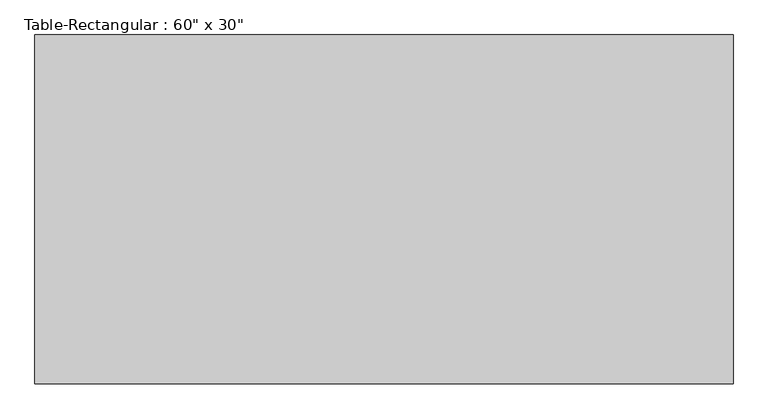
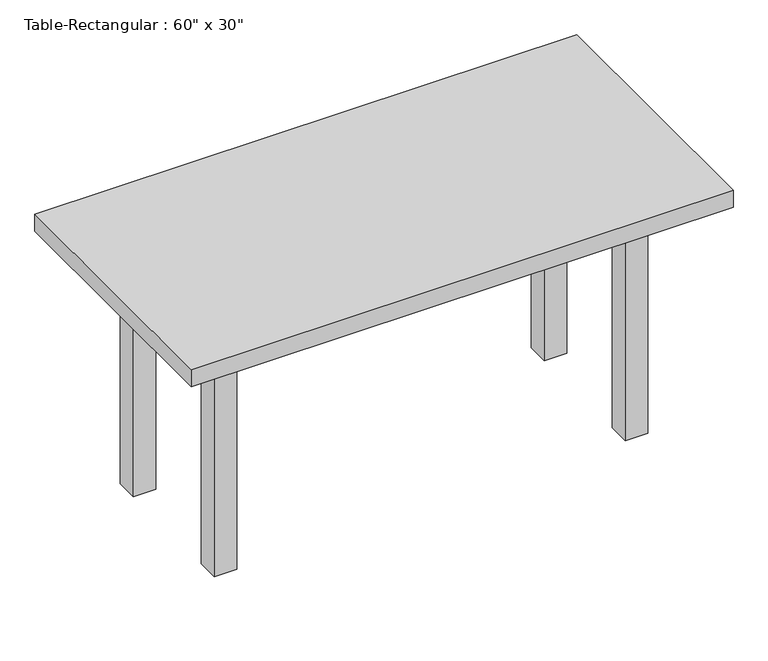
"""IFC4 building model written with IfcOpenShell, lengths in millimetres: furniture geometry."""

import ifcopenshell
import ifcopenshell.guid

model = None  # the IFC model being written
_history = None  # IfcOwnerHistory: only IFC2X3 demands one
_inside = {}  # id of a spatial element -> (the spatial element, [elements in it])
_under = {}  # id of a project, library or spatial element -> (it, [spatial elements below it])
_declared = {}  # id of a project -> (the project, [libraries it declares])
_typed = {}  # id of a type object -> (the type object, [elements of that type])
_made_of = {}  # id of a material, layer set ... -> (it, [elements and type objects made of it])


def new_model(schema):
    """Start an empty IFC model of exactly this schema.

    Asked for "IFC4X3", IfcOpenShell would pick the latest addendum, in which some entities
    have other attributes; the version numbers below select the first issue.
    IFC2X3 requires an IfcOwnerHistory on every rooted entity: one is made here for all.
    """
    global model, _history
    if schema == "IFC4X3":
        model = ifcopenshell.file(schema_version=(4, 3, 0, 0))
    else:
        model = ifcopenshell.file(schema=schema)
    _inside.clear()
    _under.clear()
    _declared.clear()
    _typed.clear()
    _made_of.clear()
    _history = None
    if model.schema == "IFC2X3":
        org = make("IfcOrganization", Name="unknown")
        user = make(
            "IfcPersonAndOrganization",
            ThePerson=make("IfcPerson", FamilyName="unknown"),
            TheOrganization=org,
        )
        app = make(
            "IfcApplication",
            ApplicationDeveloper=org,
            Version="unknown",
            ApplicationFullName="unknown",
            ApplicationIdentifier="unknown",
        )
        _history = make(
            "IfcOwnerHistory",
            OwningUser=user,
            OwningApplication=app,
            ChangeAction="ADDED",
            CreationDate=0,
        )
    return model


def make(cls, **values):
    """One entity of the class cls with the attributes given. An attribute that is None is left unset."""
    return model.create_entity(
        cls, **{name: value for name, value in values.items() if value is not None}
    )


def rooted(cls, **values):
    """An entity with a GlobalId (a new one), such as an element, a storey or a relation."""
    return make(cls, GlobalId=ifcopenshell.guid.new(), OwnerHistory=_history, **values)


def si_unit(unit_type, name, prefix=None):
    """IfcSIUnit, for example si_unit("LENGTHUNIT", "METRE", prefix="MILLI")."""
    return make("IfcSIUnit", UnitType=unit_type, Prefix=prefix, Name=name)


def assignment(units):
    """IfcUnitAssignment: the units of a project."""
    return None if units is None else make("IfcUnitAssignment", Units=units)


def point(xyz):
    """IfcCartesianPoint."""
    return None if xyz is None else make("IfcCartesianPoint", Coordinates=xyz)


def direction(xyz):
    """IfcDirection."""
    return None if xyz is None else make("IfcDirection", DirectionRatios=xyz)


def frame(location, z_axis=None, x_axis=None):
    """IfcAxis2Placement3D, a coordinate frame: its origin and axes. An axis left out is left unset."""
    return make(
        "IfcAxis2Placement3D",
        Location=point(location),
        Axis=direction(z_axis),
        RefDirection=direction(x_axis),
    )


def origin():
    """The frame at (0, 0, 0) with its axes left unset."""
    return frame((0.0, 0.0, 0.0))


def origin_with_axes():
    """The frame at (0, 0, 0) with the z axis (0, 0, 1) and the x axis (1, 0, 0) written out."""
    return frame((0.0, 0.0, 0.0), z_axis=(0.0, 0.0, 1.0), x_axis=(1.0, 0.0, 0.0))


def place(relative_to, where):
    """IfcLocalPlacement: puts the frame where relative to a parent placement (None: the world)."""
    return make(
        "IfcLocalPlacement", PlacementRelTo=relative_to, RelativePlacement=where
    )


def context(
    kind, dimensions, precision=None, world=None, true_north=None, identifier=None
):
    """IfcGeometricRepresentationContext, for example the 3D "Model" context."""
    return make(
        "IfcGeometricRepresentationContext",
        ContextIdentifier=identifier,
        ContextType=kind,
        CoordinateSpaceDimension=dimensions,
        Precision=precision,
        WorldCoordinateSystem=world,
        TrueNorth=true_north,
    )


def project(units=None, contexts=None):
    """IfcProject with its units and contexts."""
    return rooted(
        "IfcProject",
        Name="project",
        RepresentationContexts=contexts,
        UnitsInContext=assignment(units),
    )


def spatial(cls, under=None, at=None, **own):
    """A site, building, storey or space (cls), placed at a placement, below another one or the project."""
    s = rooted(cls, ObjectPlacement=at, **own)
    if under is not None:
        _under.setdefault(under.id(), (under, []))[1].append(s)
    return s


def polyline(points):
    """IfcPolyline through the points."""
    return make("IfcPolyline", Points=[point(p) for p in points])


def outline(outer, holes=None, kind="AREA"):
    """IfcArbitraryClosedProfileDef: a profile drawn as a closed curve; with holes, ...WithVoids."""
    if holes is None:
        return make("IfcArbitraryClosedProfileDef", ProfileType=kind, OuterCurve=outer)
    return make(
        "IfcArbitraryProfileDefWithVoids",
        ProfileType=kind,
        OuterCurve=outer,
        InnerCurves=holes,
    )


def extrude(swept, where, along, depth):
    """IfcExtrudedAreaSolid: the profile swept, set in the frame where, extruded along a direction by depth."""
    return make(
        "IfcExtrudedAreaSolid",
        SweptArea=swept,
        Position=where,
        ExtrudedDirection=direction(along),
        Depth=depth,
    )


def shape(context_of_items, identifier, shape_type, items):
    """IfcShapeRepresentation: the items that make up one representation, for example the "Body"."""
    return make(
        "IfcShapeRepresentation",
        ContextOfItems=context_of_items,
        RepresentationIdentifier=identifier,
        RepresentationType=shape_type,
        Items=items,
    )


def source(mapping_origin, context_of_items, identifier, shape_type, items):
    """IfcRepresentationMap: a shape defined once, which mapped items show again and again."""
    return make(
        "IfcRepresentationMap",
        MappingOrigin=mapping_origin,
        MappedRepresentation=shape(context_of_items, identifier, shape_type, items),
    )


def transform(
    local_origin,
    x_axis=None,
    y_axis=None,
    z_axis=None,
    scale=None,
    scale2=None,
    scale3=None,
    uniform=True,
):
    """IfcCartesianTransformationOperator3D, or its non-uniform kind. x_axis, y_axis, z_axis: its Axis1, 2, 3."""
    if uniform:
        return make(
            "IfcCartesianTransformationOperator3D",
            Axis1=direction(x_axis),
            Axis2=direction(y_axis),
            LocalOrigin=point(local_origin),
            Scale=scale,
            Axis3=direction(z_axis),
        )
    return make(
        "IfcCartesianTransformationOperator3DnonUniform",
        Axis1=direction(x_axis),
        Axis2=direction(y_axis),
        LocalOrigin=point(local_origin),
        Scale=scale,
        Axis3=direction(z_axis),
        Scale2=scale2,
        Scale3=scale3,
    )


def mapped(mapping_source, mapping_target):
    """IfcMappedItem: shows the shape of a source again, moved by a transform."""
    return make(
        "IfcMappedItem", MappingSource=mapping_source, MappingTarget=mapping_target
    )


def made_of(thing, what):
    """Note that an element or type object is made of a material, layer set ...; save() writes the relation."""
    if what is not None:
        _made_of.setdefault(what.id(), (what, []))[1].append(thing)
    return thing


def element(
    cls,
    number,
    at=None,
    inside=None,
    cuts=None,
    type_object=None,
    material=None,
    context=None,
    identifier="Body",
    shape_type=None,
    held_by="IfcProductDefinitionShape",
    body=None,
    shapes=None,
    **own,
):
    """One element of the class cls, such as IfcWall. Its Tag is "e" and its number.

    at: its placement. inside: the storey or other place that contains it. cuts: it is an
    opening in that element (IfcRelVoidsElement). A single representation is given by context,
    identifier, shape_type and body (its items); several are given by shapes. held_by: the class
    of the entity that holds the representations. save() writes the other relations.
    """
    e = rooted(cls, Tag="e%d" % number, ObjectPlacement=at, **own)
    if body is not None:
        shapes = [shape(context, identifier, shape_type, body)]
    if shapes is not None:
        e.Representation = make(held_by, Representations=shapes)
    if inside is not None:
        _inside.setdefault(inside.id(), (inside, []))[1].append(e)
    if cuts is not None:
        rooted(
            "IfcRelVoidsElement", RelatingBuildingElement=cuts, RelatedOpeningElement=e
        )
    if type_object is not None:
        _typed.setdefault(type_object.id(), (type_object, []))[1].append(e)
    return made_of(e, material)


def aggregate(whole, parts):
    """IfcRelAggregates: a whole, such as a stair, and the parts it consists of."""
    return rooted("IfcRelAggregates", RelatingObject=whole, RelatedObjects=parts)


def save(model, path):
    """Write the relations noted so far, then the file.

    IfcRelAggregates (storeys below a building ...), IfcRelContainedInSpatialStructure (elements
    in a storey), IfcRelDefinesByType, IfcRelAssociatesMaterial and IfcRelDeclares: one each for
    every whole, place, type object, material and project.
    """
    for whole, parts in _under.values():
        aggregate(whole, parts)
    for where, things in _inside.values():
        rooted(
            "IfcRelContainedInSpatialStructure",
            RelatedElements=things,
            RelatingStructure=where,
        )
    for kind, things in _typed.values():
        rooted("IfcRelDefinesByType", RelatedObjects=things, RelatingType=kind)
    for what, things in _made_of.values():
        rooted("IfcRelAssociatesMaterial", RelatedObjects=things, RelatingMaterial=what)
    for by, libraries in _declared.values():
        rooted("IfcRelDeclares", RelatingContext=by, RelatedDefinitions=libraries)
    model.write(path)


def furniture_d900495b(model_context):
    return source(origin(), model_context, "Body", "SweptSolid", [
        extrude(outline(polyline([(546.1, 190.5), (546.1, 165.1), (-546.1, 165.1), (-546.1, 190.5), (546.1, 190.5)])), frame((0.0, 0.0, 609.6), z_axis=(0.0, 0.0, 1.0), x_axis=(1.0, 0.0, 0.0)), (0.0, 0.0, 1.0), 101.6),
        extrude(outline(polyline([(546.1, -190.5), (-546.1, -190.5), (-546.1, -165.1), (546.1, -165.1), (546.1, -190.5)])), frame((0.0, 0.0, 609.6), z_axis=(0.0, 0.0, 1.0), x_axis=(1.0, 0.0, 0.0)), (0.0, 0.0, 1.0), 101.6),
        extrude(outline(polyline([(-558.8, -165.1), (-584.2, -165.1), (-584.2, 165.1), (-558.8, 165.1), (-558.8, -165.1)])), frame((0.0, 0.0, 609.6), z_axis=(0.0, 0.0, 1.0), x_axis=(1.0, 0.0, 0.0)), (0.0, 0.0, 1.0), 101.6),
        extrude(outline(polyline([(558.8, -165.1), (558.8, 165.1), (584.2, 165.1), (584.2, -165.1), (558.8, -165.1)])), frame((0.0, 0.0, 609.6), z_axis=(0.0, 0.0, 1.0), x_axis=(1.0, 0.0, 0.0)), (0.0, 0.0, 1.0), 101.6),
        extrude(outline(polyline([(762.0, 381.0), (762.0, -381.0), (-762.0, -381.0), (-762.0, 381.0), (762.0, 381.0)])), frame((0.0, 0.0, 711.2), z_axis=(0.0, 0.0, 1.0), x_axis=(1.0, 0.0, 0.0)), (0.0, 0.0, 1.0), 50.8),
        extrude(outline(polyline([(-546.1, 228.6), (-546.1, 165.1), (-609.6, 165.1), (-609.6, 228.6), (-546.1, 228.6)])), origin_with_axes(), (0.0, 0.0, 1.0), 711.2),
        extrude(outline(polyline([(546.1, 228.6), (609.6, 228.6), (609.6, 165.1), (546.1, 165.1), (546.1, 228.6)])), origin_with_axes(), (0.0, 0.0, 1.0), 711.2),
        extrude(outline(polyline([(-546.1, -228.6), (-609.6, -228.6), (-609.6, -165.1), (-546.1, -165.1), (-546.1, -228.6)])), origin_with_axes(), (0.0, 0.0, 1.0), 711.2),
        extrude(outline(polyline([(546.1, -228.6), (546.1, -165.1), (609.6, -165.1), (609.6, -228.6), (546.1, -228.6)])), origin_with_axes(), (0.0, 0.0, 1.0), 711.2),
    ])


if __name__ == "__main__":
    model = new_model("IFC4")
    model_context = context("Model", 3, world=origin())
    ifc_project = project(units=[si_unit("LENGTHUNIT", "METRE", prefix="MILLI")], contexts=[model_context])
    site = spatial("IfcSite", under=ifc_project)
    building = spatial("IfcBuilding", under=site)
    placement = place(None, origin())
    furniture_shape = furniture_d900495b(model_context)
    element("IfcFurniture", 1, ObjectType="Table-Rectangular : 60\" x 30\"", at=placement, inside=building, context=model_context, shape_type="MappedRepresentation", body=[
        mapped(furniture_shape, transform((0.0, 0.0, 0.0), x_axis=(1.0, 0.0, 0.0), y_axis=(0.0, 1.0, 0.0), z_axis=(0.0, 0.0, 1.0))),
    ])
    save(model, "model.ifc")
